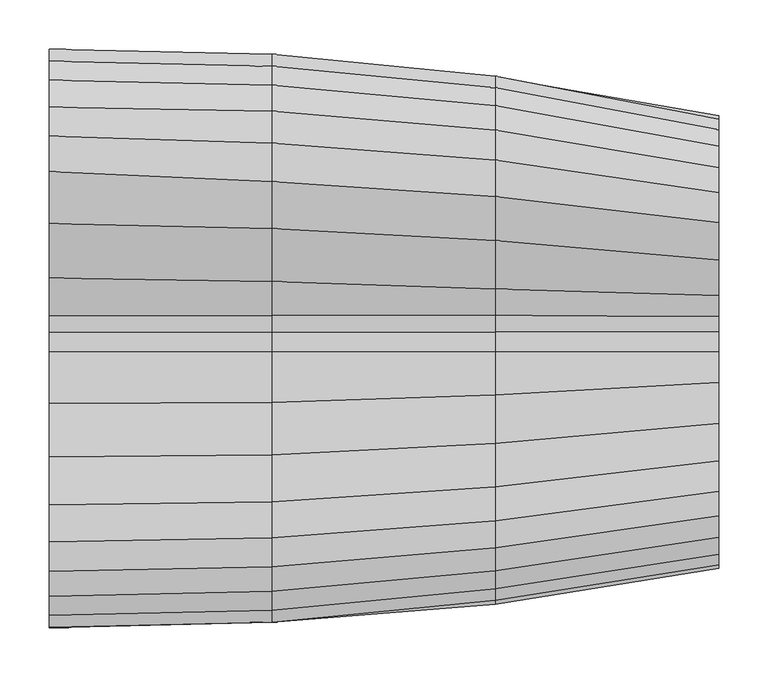
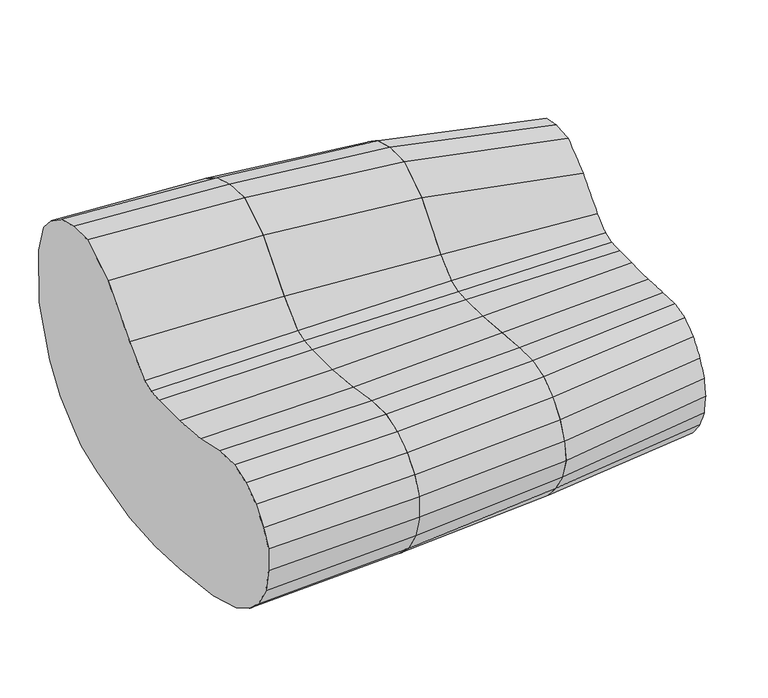
"""IFC4 building model written with IfcOpenShell, lengths in millimetres: furniture geometry."""

import ifcopenshell
import ifcopenshell.guid

model = None  # the IFC model being written
_history = None  # IfcOwnerHistory: only IFC2X3 demands one
_inside = {}  # id of a spatial element -> (the spatial element, [elements in it])
_under = {}  # id of a project, library or spatial element -> (it, [spatial elements below it])
_declared = {}  # id of a project -> (the project, [libraries it declares])
_typed = {}  # id of a type object -> (the type object, [elements of that type])
_made_of = {}  # id of a material, layer set ... -> (it, [elements and type objects made of it])


def new_model(schema):
    """Start an empty IFC model of exactly this schema.

    Asked for "IFC4X3", IfcOpenShell would pick the latest addendum, in which some entities
    have other attributes; the version numbers below select the first issue.
    IFC2X3 requires an IfcOwnerHistory on every rooted entity: one is made here for all.
    """
    global model, _history
    if schema == "IFC4X3":
        model = ifcopenshell.file(schema_version=(4, 3, 0, 0))
    else:
        model = ifcopenshell.file(schema=schema)
    _inside.clear()
    _under.clear()
    _declared.clear()
    _typed.clear()
    _made_of.clear()
    _history = None
    if model.schema == "IFC2X3":
        org = make("IfcOrganization", Name="unknown")
        user = make(
            "IfcPersonAndOrganization",
            ThePerson=make("IfcPerson", FamilyName="unknown"),
            TheOrganization=org,
        )
        app = make(
            "IfcApplication",
            ApplicationDeveloper=org,
            Version="unknown",
            ApplicationFullName="unknown",
            ApplicationIdentifier="unknown",
        )
        _history = make(
            "IfcOwnerHistory",
            OwningUser=user,
            OwningApplication=app,
            ChangeAction="ADDED",
            CreationDate=0,
        )
    return model


def make(cls, **values):
    """One entity of the class cls with the attributes given. An attribute that is None is left unset."""
    return model.create_entity(
        cls, **{name: value for name, value in values.items() if value is not None}
    )


def rooted(cls, **values):
    """An entity with a GlobalId (a new one), such as an element, a storey or a relation."""
    return make(cls, GlobalId=ifcopenshell.guid.new(), OwnerHistory=_history, **values)


def si_unit(unit_type, name, prefix=None):
    """IfcSIUnit, for example si_unit("LENGTHUNIT", "METRE", prefix="MILLI")."""
    return make("IfcSIUnit", UnitType=unit_type, Prefix=prefix, Name=name)


def assignment(units):
    """IfcUnitAssignment: the units of a project."""
    return None if units is None else make("IfcUnitAssignment", Units=units)


def point(xyz):
    """IfcCartesianPoint."""
    return None if xyz is None else make("IfcCartesianPoint", Coordinates=xyz)


def direction(xyz):
    """IfcDirection."""
    return None if xyz is None else make("IfcDirection", DirectionRatios=xyz)


def frame(location, z_axis=None, x_axis=None):
    """IfcAxis2Placement3D, a coordinate frame: its origin and axes. An axis left out is left unset."""
    return make(
        "IfcAxis2Placement3D",
        Location=point(location),
        Axis=direction(z_axis),
        RefDirection=direction(x_axis),
    )


def origin():
    """The frame at (0, 0, 0) with its axes left unset."""
    return frame((0.0, 0.0, 0.0))


def place(relative_to, where):
    """IfcLocalPlacement: puts the frame where relative to a parent placement (None: the world)."""
    return make(
        "IfcLocalPlacement", PlacementRelTo=relative_to, RelativePlacement=where
    )


def context(
    kind, dimensions, precision=None, world=None, true_north=None, identifier=None
):
    """IfcGeometricRepresentationContext, for example the 3D "Model" context."""
    return make(
        "IfcGeometricRepresentationContext",
        ContextIdentifier=identifier,
        ContextType=kind,
        CoordinateSpaceDimension=dimensions,
        Precision=precision,
        WorldCoordinateSystem=world,
        TrueNorth=true_north,
    )


def project(units=None, contexts=None):
    """IfcProject with its units and contexts."""
    return rooted(
        "IfcProject",
        Name="project",
        RepresentationContexts=contexts,
        UnitsInContext=assignment(units),
    )


def spatial(cls, under=None, at=None, **own):
    """A site, building, storey or space (cls), placed at a placement, below another one or the project."""
    s = rooted(cls, ObjectPlacement=at, **own)
    if under is not None:
        _under.setdefault(under.id(), (under, []))[1].append(s)
    return s


def shape(context_of_items, identifier, shape_type, items):
    """IfcShapeRepresentation: the items that make up one representation, for example the "Body"."""
    return make(
        "IfcShapeRepresentation",
        ContextOfItems=context_of_items,
        RepresentationIdentifier=identifier,
        RepresentationType=shape_type,
        Items=items,
    )


def source(mapping_origin, context_of_items, identifier, shape_type, items):
    """IfcRepresentationMap: a shape defined once, which mapped items show again and again."""
    return make(
        "IfcRepresentationMap",
        MappingOrigin=mapping_origin,
        MappedRepresentation=shape(context_of_items, identifier, shape_type, items),
    )


def transform(
    local_origin,
    x_axis=None,
    y_axis=None,
    z_axis=None,
    scale=None,
    scale2=None,
    scale3=None,
    uniform=True,
):
    """IfcCartesianTransformationOperator3D, or its non-uniform kind. x_axis, y_axis, z_axis: its Axis1, 2, 3."""
    if uniform:
        return make(
            "IfcCartesianTransformationOperator3D",
            Axis1=direction(x_axis),
            Axis2=direction(y_axis),
            LocalOrigin=point(local_origin),
            Scale=scale,
            Axis3=direction(z_axis),
        )
    return make(
        "IfcCartesianTransformationOperator3DnonUniform",
        Axis1=direction(x_axis),
        Axis2=direction(y_axis),
        LocalOrigin=point(local_origin),
        Scale=scale,
        Axis3=direction(z_axis),
        Scale2=scale2,
        Scale3=scale3,
    )


def mapped(mapping_source, mapping_target):
    """IfcMappedItem: shows the shape of a source again, moved by a transform."""
    return make(
        "IfcMappedItem", MappingSource=mapping_source, MappingTarget=mapping_target
    )


def made_of(thing, what):
    """Note that an element or type object is made of a material, layer set ...; save() writes the relation."""
    if what is not None:
        _made_of.setdefault(what.id(), (what, []))[1].append(thing)
    return thing


def element(
    cls,
    number,
    at=None,
    inside=None,
    cuts=None,
    type_object=None,
    material=None,
    context=None,
    identifier="Body",
    shape_type=None,
    held_by="IfcProductDefinitionShape",
    body=None,
    shapes=None,
    **own,
):
    """One element of the class cls, such as IfcWall. Its Tag is "e" and its number.

    at: its placement. inside: the storey or other place that contains it. cuts: it is an
    opening in that element (IfcRelVoidsElement). A single representation is given by context,
    identifier, shape_type and body (its items); several are given by shapes. held_by: the class
    of the entity that holds the representations. save() writes the other relations.
    """
    e = rooted(cls, Tag="e%d" % number, ObjectPlacement=at, **own)
    if body is not None:
        shapes = [shape(context, identifier, shape_type, body)]
    if shapes is not None:
        e.Representation = make(held_by, Representations=shapes)
    if inside is not None:
        _inside.setdefault(inside.id(), (inside, []))[1].append(e)
    if cuts is not None:
        rooted(
            "IfcRelVoidsElement", RelatingBuildingElement=cuts, RelatedOpeningElement=e
        )
    if type_object is not None:
        _typed.setdefault(type_object.id(), (type_object, []))[1].append(e)
    return made_of(e, material)


def aggregate(whole, parts):
    """IfcRelAggregates: a whole, such as a stair, and the parts it consists of."""
    return rooted("IfcRelAggregates", RelatingObject=whole, RelatedObjects=parts)


def save(model, path):
    """Write the relations noted so far, then the file.

    IfcRelAggregates (storeys below a building ...), IfcRelContainedInSpatialStructure (elements
    in a storey), IfcRelDefinesByType, IfcRelAssociatesMaterial and IfcRelDeclares: one each for
    every whole, place, type object, material and project.
    """
    for whole, parts in _under.values():
        aggregate(whole, parts)
    for where, things in _inside.values():
        rooted(
            "IfcRelContainedInSpatialStructure",
            RelatedElements=things,
            RelatingStructure=where,
        )
    for kind, things in _typed.values():
        rooted("IfcRelDefinesByType", RelatedObjects=things, RelatingType=kind)
    for what, things in _made_of.values():
        rooted("IfcRelAssociatesMaterial", RelatedObjects=things, RelatingMaterial=what)
    for by, libraries in _declared.values():
        rooted("IfcRelDeclares", RelatingContext=by, RelatedDefinitions=libraries)
    model.write(path)


def plane_surface(at):
    """IfcPlane: the flat surface through the origin of the frame at, square to its z axis."""
    return make("IfcPlane", Position=at)


def spline_surface(u_degree, v_degree, points, u_multiplicities, v_multiplicities, u_knots, v_knots, weights=None):
    """IfcBSplineSurfaceWithKnots; with weights, IfcRationalBSplineSurfaceWithKnots. points: one row for each step in u."""
    own = dict(
        UDegree=u_degree,
        VDegree=v_degree,
        ControlPointsList=[[point(p) for p in row] for row in points],
        SurfaceForm="UNSPECIFIED",
        UClosed=False,
        VClosed=False,
        SelfIntersect=False,
        UMultiplicities=u_multiplicities,
        VMultiplicities=v_multiplicities,
        UKnots=u_knots,
        VKnots=v_knots,
        KnotSpec="UNSPECIFIED",
    )
    if weights is None:
        return make("IfcBSplineSurfaceWithKnots", **own)
    return make("IfcRationalBSplineSurfaceWithKnots", WeightsData=weights, **own)


def advanced_brep(points, edges, surfaces, faces):
    """IfcAdvancedBrep: a solid bounded by faces that lie on surfaces and meet in shared edges.

    An edge is (start, end): straight between two places in points (the first is 0);
    or (start, end, curve); or (start, end, curve, False) where it runs against its curve.
    A face is (place in surfaces, loops), or (place, loops, False) where it looks against
    its surface's normal. A loop lists edges by number (the first is 1), with a minus sign
    where the edge is run from its end to its start. The first loop is the outer one.
    """
    corners = [point(p) for p in points]
    vertices = [make("IfcVertexPoint", VertexGeometry=c) for c in corners]
    made = []
    for start, end, *more in edges:
        made.append(
            make(
                "IfcEdgeCurve",
                EdgeStart=vertices[start],
                EdgeEnd=vertices[end],
                EdgeGeometry=more[0] if more else make("IfcPolyline", Points=[corners[start], corners[end]]),
                SameSense=more[1] if len(more) > 1 else True,
            )
        )
    hull = []
    for where, loops, *sense in faces:
        bounds = []
        for j, loop in enumerate(loops):
            ring = [make("IfcOrientedEdge", EdgeElement=made[abs(k) - 1], Orientation=k > 0) for k in loop]
            bounds.append(
                make(
                    "IfcFaceOuterBound" if j == 0 else "IfcFaceBound",
                    Bound=make("IfcEdgeLoop", EdgeList=ring),
                    Orientation=True,
                )
            )
        hull.append(make("IfcAdvancedFace", Bounds=bounds, FaceSurface=surfaces[where], SameSense=sense[0] if sense else True))
    return make("IfcAdvancedBrep", Outer=make("IfcClosedShell", CfsFaces=hull))


def furniture_8e6678c5(model_context):
    return source(origin(), model_context, "Body", "AdvancedBrep", [
        advanced_brep(
        [(0.0, -291.4984682, 377.8928495), (0.0, -279.3883244, 403.1470493), (0.0, -259.6553174, 427.8244311), (0.0, -234.0598775, 446.2991392), (0.0, -204.1727119, 456.7290985), (0.0, -166.5576387, 455.447527), (0.0, -117.6349799, 444.6696239), (0.0, -62.7866427, 440.1363976), (0.0, -10.5673544, 440.2413694), (0.0, 9.5128635, 442.3705636), (0.0, 26.2746271, 448.3519936), (0.0, 65.1051149, 486.6230587), (0.0, 120.752495, 548.3935979), (0.0, 173.8686932, 580.455231), (0.0, 209.9522465, 579.6965927), (0.0, 239.7702484, 572.5989882), (0.0, 267.0316476, 554.1242074), (0.0, 286.7647273, 531.5563989), (0.0, 299.0645943, 487.9511753), (0.0, 298.3267941, 407.1493486), (0.0, 271.0242455, 332.7671156), (0.0, 244.4104085, 293.0347843), (0.0, 211.1913424, 263.1198225), (0.0, 190.1743658, 247.5640859), (0.0, 149.3216178, 231.4803111), (0.0, 64.8151526, 210.3925721), (0.0, 0.0, 204.8741408), (0.0, -62.7151808, 207.1237309), (0.0, -148.8340749, 217.3380421), (0.0, -208.4022685, 234.7810907), (0.0, -242.2722578, 254.0834736), (0.0, -266.6243324, 276.4302019), (0.0, -285.0614337, 307.6544406), (0.0, -291.8548599, 343.4294735), (227.0762013, -286.1406738, 376.5365733), (227.0762013, -286.4123142, 344.1275414), (227.0762013, -277.0800714, 309.9383855), (227.0762013, -258.8860693, 279.3470841), (227.0762013, -234.9239599, 256.6180573), (227.0762013, -202.4368986, 238.168602), (227.0762013, -143.3406783, 221.1172627), (227.0762013, -61.7226815, 211.467343), (227.0762013, 0.0, 209.1015717), (227.0762013, 63.8228076, 214.7066075), (227.0762013, 146.2499121, 233.9398267), (227.0762013, 185.7656778, 253.1828018), (227.0762013, 206.2769621, 269.7019788), (227.0762013, 239.1077162, 301.6881623), (227.0762013, 265.855375, 344.1388779), (227.0762013, 292.6945071, 415.6151473), (227.0762013, 293.5171494, 484.0034875), (227.0762013, 281.4603454, 522.5189418), (227.0762013, 262.1171765, 543.7261139), (227.0762013, 235.4367012, 561.2269715), (227.0762013, 202.7432025, 570.7752623), (227.0762013, 163.4857877, 573.2295819), (227.0762013, 115.5397408, 543.0094062), (227.0762013, 61.7906324, 480.3082189), (227.0762013, 26.814547, 447.4483787), (227.0762013, 9.6670823, 441.7722353), (227.0762013, -10.5673544, 440.1194655), (227.0762013, -61.7906324, 439.9487274), (227.0762013, -115.5397408, 445.1344211), (227.0762013, -163.4857877, 452.8625104), (227.0762013, -200.3546492, 453.6485453), (227.0762013, -229.6511895, 444.1068312), (227.0762013, -254.7407736, 426.6060099), (227.0762013, -274.0839606, 403.4291905)],
        [
            (0, 1),
            (1, 2),
            (2, 3),
            (3, 4),
            (4, 5),
            (5, 6),
            (6, 7),
            (7, 8),
            (8, 9),
            (9, 10),
            (10, 11),
            (11, 12),
            (12, 13),
            (13, 14),
            (14, 15),
            (15, 16),
            (16, 17),
            (17, 18),
            (18, 19),
            (19, 20),
            (20, 21),
            (21, 22),
            (22, 23),
            (23, 24),
            (24, 25),
            (25, 26),
            (26, 27),
            (27, 28),
            (28, 29),
            (29, 30),
            (30, 31),
            (31, 32),
            (32, 33),
            (33, 0),
            (34, 35),
            (35, 36),
            (36, 37),
            (37, 38),
            (38, 39),
            (39, 40),
            (40, 41),
            (41, 42),
            (42, 43),
            (43, 44),
            (44, 45),
            (45, 46),
            (46, 47),
            (47, 48),
            (48, 49),
            (49, 50),
            (50, 51),
            (51, 52),
            (52, 53),
            (53, 54),
            (54, 55),
            (55, 56),
            (56, 57),
            (57, 58),
            (58, 59),
            (59, 60),
            (60, 61),
            (61, 62),
            (62, 63),
            (63, 64),
            (64, 65),
            (65, 66),
            (66, 67),
            (67, 34),
            (67, 1),
            (0, 34),
            (66, 2),
            (65, 3),
            (64, 4),
            (63, 5),
            (62, 6),
            (61, 7),
            (60, 8),
            (59, 9),
            (58, 10),
            (57, 11),
            (56, 12),
            (55, 13),
            (54, 14),
            (53, 15),
            (52, 16),
            (51, 17),
            (50, 18),
            (49, 19),
            (48, 20),
            (47, 21),
            (46, 22),
            (45, 23),
            (44, 24),
            (43, 25),
            (42, 26),
            (41, 27),
            (40, 28),
            (39, 29),
            (38, 30),
            (37, 31),
            (36, 32),
            (35, 33),
        ],
        [
            plane_surface(frame((0.0, -0.138957, 386.933292), z_axis=(-1.0, 0.0, 0.0), x_axis=(0.0, -0.9994200988731955, 0.03405093197391544))),
            plane_surface(frame((227.0762013, -0.2591798, 386.860886), z_axis=(1.0, 0.0, 0.0), x_axis=(0.0, -0.9994200988731955, 0.03405093197391544))),
            spline_surface(1, 1, [[(227.0762013, -286.1406738, 376.5365733), (0.0, -291.4984682, 377.8928495)], [(227.0762013, -274.0839606, 403.4291905), (0.0, -279.3883244, 403.1470493)]], [2, 2], [2, 2], [0.0, 1.0], [0.0, 1.0]),
            spline_surface(1, 1, [[(227.0762013, -274.0839606, 403.4291905), (0.0, -279.3883244, 403.1470493)], [(227.0762013, -254.7407736, 426.6060099), (0.0, -259.6553174, 427.8244311)]], [2, 2], [2, 2], [0.0, 1.0], [0.0, 1.0]),
            spline_surface(1, 1, [[(227.0762013, -254.7407736, 426.6060099), (0.0, -259.6553174, 427.8244311)], [(227.0762013, -229.6511895, 444.1068312), (0.0, -234.0598775, 446.2991392)]], [2, 2], [2, 2], [0.0, 1.0], [0.0, 1.0]),
            spline_surface(1, 1, [[(227.0762013, -229.6511895, 444.1068312), (0.0, -234.0598775, 446.2991392)], [(227.0762013, -200.3546492, 453.6485453), (0.0, -204.1727119, 456.7290985)]], [2, 2], [2, 2], [0.0, 1.0], [0.0, 1.0]),
            spline_surface(1, 1, [[(227.0762013, -200.3546492, 453.6485453), (0.0, -204.1727119, 456.7290985)], [(227.0762013, -163.4857877, 452.8625104), (0.0, -166.5576387, 455.447527)]], [2, 2], [2, 2], [0.0, 1.0], [0.0, 1.0]),
            spline_surface(1, 1, [[(227.0762013, -163.4857877, 452.8625104), (0.0, -166.5576387, 455.447527)], [(227.0762013, -115.5397408, 445.1344211), (0.0, -117.6349799, 444.6696239)]], [2, 2], [2, 2], [0.0, 1.0], [0.0, 1.0]),
            spline_surface(1, 1, [[(227.0762013, -115.5397408, 445.1344211), (0.0, -117.6349799, 444.6696239)], [(227.0762013, -61.7906324, 439.9487274), (0.0, -62.7866427, 440.1363976)]], [2, 2], [2, 2], [0.0, 1.0], [0.0, 1.0]),
            spline_surface(1, 1, [[(227.0762013, -61.7906324, 439.9487274), (0.0, -62.7866427, 440.1363976)], [(227.0762013, -10.5673544, 440.1194655), (0.0, -10.5673544, 440.2413694)]], [2, 2], [2, 2], [0.0, 1.0], [0.0, 1.0]),
            spline_surface(1, 1, [[(227.0762013, -10.5673544, 440.1194655), (0.0, -10.5673544, 440.2413694)], [(227.0762013, 9.6670823, 441.7722353), (0.0, 9.5128635, 442.3705636)]], [2, 2], [2, 2], [0.0, 1.0], [0.0, 1.0]),
            spline_surface(1, 1, [[(227.0762013, 9.6670823, 441.7722353), (0.0, 9.5128635, 442.3705636)], [(227.0762013, 26.814547, 447.4483787), (0.0, 26.2746271, 448.3519936)]], [2, 2], [2, 2], [0.0, 1.0], [0.0, 1.0]),
            spline_surface(1, 1, [[(227.0762013, 26.814547, 447.4483787), (0.0, 26.2746271, 448.3519936)], [(227.0762013, 61.7906324, 480.3082189), (0.0, 65.1051149, 486.6230587)]], [2, 2], [2, 2], [0.0, 1.0], [0.0, 1.0]),
            spline_surface(1, 1, [[(227.0762013, 61.7906324, 480.3082189), (0.0, 65.1051149, 486.6230587)], [(227.0762013, 115.5397408, 543.0094062), (0.0, 120.752495, 548.3935979)]], [2, 2], [2, 2], [0.0, 1.0], [0.0, 1.0]),
            spline_surface(1, 1, [[(227.0762013, 115.5397408, 543.0094062), (0.0, 120.752495, 548.3935979)], [(227.0762013, 163.4857877, 573.2295819), (0.0, 173.8686932, 580.455231)]], [2, 2], [2, 2], [0.0, 1.0], [0.0, 1.0]),
            spline_surface(1, 1, [[(227.0762013, 163.4857877, 573.2295819), (0.0, 173.8686932, 580.455231)], [(227.0762013, 202.7432025, 570.7752623), (0.0, 209.9522465, 579.6965927)]], [2, 2], [2, 2], [0.0, 1.0], [0.0, 1.0]),
            spline_surface(1, 1, [[(227.0762013, 202.7432025, 570.7752623), (0.0, 209.9522465, 579.6965927)], [(227.0762013, 235.4367012, 561.2269715), (0.0, 239.7702484, 572.5989882)]], [2, 2], [2, 2], [0.0, 1.0], [0.0, 1.0]),
            spline_surface(1, 1, [[(227.0762013, 235.4367012, 561.2269715), (0.0, 239.7702484, 572.5989882)], [(227.0762013, 262.1171765, 543.7261139), (0.0, 267.0316476, 554.1242074)]], [2, 2], [2, 2], [0.0, 1.0], [0.0, 1.0]),
            spline_surface(1, 1, [[(227.0762013, 262.1171765, 543.7261139), (0.0, 267.0316476, 554.1242074)], [(227.0762013, 281.4603454, 522.5189418), (0.0, 286.7647273, 531.5563989)]], [2, 2], [2, 2], [0.0, 1.0], [0.0, 1.0]),
            spline_surface(1, 1, [[(227.0762013, 281.4603454, 522.5189418), (0.0, 286.7647273, 531.5563989)], [(227.0762013, 293.5171494, 484.0034875), (0.0, 299.0645943, 487.9511753)]], [2, 2], [2, 2], [0.0, 1.0], [0.0, 1.0]),
            spline_surface(1, 1, [[(227.0762013, 293.5171494, 484.0034875), (0.0, 299.0645943, 487.9511753)], [(227.0762013, 292.6945071, 415.6151473), (0.0, 298.3267941, 407.1493486)]], [2, 2], [2, 2], [0.0, 1.0], [0.0, 1.0]),
            spline_surface(1, 1, [[(227.0762013, 292.6945071, 415.6151473), (0.0, 298.3267941, 407.1493486)], [(227.0762013, 265.855375, 344.1388779), (0.0, 271.0242455, 332.7671156)]], [2, 2], [2, 2], [0.0, 1.0], [0.0, 1.0]),
            spline_surface(1, 1, [[(227.0762013, 265.855375, 344.1388779), (0.0, 271.0242455, 332.7671156)], [(227.0762013, 239.1077162, 301.6881623), (0.0, 244.4104085, 293.0347843)]], [2, 2], [2, 2], [0.0, 1.0], [0.0, 1.0]),
            spline_surface(1, 1, [[(227.0762013, 239.1077162, 301.6881623), (0.0, 244.4104085, 293.0347843)], [(227.0762013, 206.2769621, 269.7019788), (0.0, 211.1913424, 263.1198225)]], [2, 2], [2, 2], [0.0, 1.0], [0.0, 1.0]),
            spline_surface(1, 1, [[(227.0762013, 206.2769621, 269.7019788), (0.0, 211.1913424, 263.1198225)], [(227.0762013, 185.7656778, 253.1828018), (0.0, 190.1743658, 247.5640859)]], [2, 2], [2, 2], [0.0, 1.0], [0.0, 1.0]),
            spline_surface(1, 1, [[(227.0762013, 185.7656778, 253.1828018), (0.0, 190.1743658, 247.5640859)], [(227.0762013, 146.2499121, 233.9398267), (0.0, 149.3216178, 231.4803111)]], [2, 2], [2, 2], [0.0, 1.0], [0.0, 1.0]),
            spline_surface(1, 1, [[(227.0762013, 146.2499121, 233.9398267), (0.0, 149.3216178, 231.4803111)], [(227.0762013, 63.8228076, 214.7066075), (0.0, 64.8151526, 210.3925721)]], [2, 2], [2, 2], [0.0, 1.0], [0.0, 1.0]),
            spline_surface(1, 1, [[(227.0762013, 63.8228076, 214.7066075), (0.0, 64.8151526, 210.3925721)], [(227.0762013, 0.0, 209.1015717), (0.0, 0.0, 204.8741408)]], [2, 2], [2, 2], [0.0, 1.0], [0.0, 1.0]),
            spline_surface(1, 1, [[(227.0762013, 0.0, 209.1015717), (0.0, 0.0, 204.8741408)], [(227.0762013, -61.7226815, 211.467343), (0.0, -62.7151808, 207.1237309)]], [2, 2], [2, 2], [0.0, 1.0], [0.0, 1.0]),
            spline_surface(1, 1, [[(227.0762013, -61.7226815, 211.467343), (0.0, -62.7151808, 207.1237309)], [(227.0762013, -143.3406783, 221.1172627), (0.0, -148.8340749, 217.3380421)]], [2, 2], [2, 2], [0.0, 1.0], [0.0, 1.0]),
            spline_surface(1, 1, [[(227.0762013, -143.3406783, 221.1172627), (0.0, -148.8340749, 217.3380421)], [(227.0762013, -202.4368986, 238.168602), (0.0, -208.4022685, 234.7810907)]], [2, 2], [2, 2], [0.0, 1.0], [0.0, 1.0]),
            spline_surface(1, 1, [[(227.0762013, -202.4368986, 238.168602), (0.0, -208.4022685, 234.7810907)], [(227.0762013, -234.9239599, 256.6180573), (0.0, -242.2722578, 254.0834736)]], [2, 2], [2, 2], [0.0, 1.0], [0.0, 1.0]),
            spline_surface(1, 1, [[(227.0762013, -234.9239599, 256.6180573), (0.0, -242.2722578, 254.0834736)], [(227.0762013, -258.8860693, 279.3470841), (0.0, -266.6243324, 276.4302019)]], [2, 2], [2, 2], [0.0, 1.0], [0.0, 1.0]),
            spline_surface(1, 1, [[(227.0762013, -258.8860693, 279.3470841), (0.0, -266.6243324, 276.4302019)], [(227.0762013, -277.0800714, 309.9383855), (0.0, -285.0614337, 307.6544406)]], [2, 2], [2, 2], [0.0, 1.0], [0.0, 1.0]),
            spline_surface(1, 1, [[(227.0762013, -277.0800714, 309.9383855), (0.0, -285.0614337, 307.6544406)], [(227.0762013, -286.4123142, 344.1275414), (0.0, -291.8548599, 343.4294735)]], [2, 2], [2, 2], [0.0, 1.0], [0.0, 1.0]),
            spline_surface(1, 1, [[(227.0762013, -286.4123142, 344.1275414), (0.0, -291.8548599, 343.4294735)], [(227.0762013, -286.1406738, 376.5365733), (0.0, -291.4984682, 377.8928495)]], [2, 2], [2, 2], [0.0, 1.0], [0.0, 1.0]),
        ],
        [
            (0, [[1, 2, 3, 4, 5, 6, 7, 8, 9, 10, 11, 12, 13, 14, 15, 16, 17, 18, 19, 20, 21, 22, 23, 24, 25, 26, 27, 28, 29, 30, 31, 32, 33, 34]]),
            (1, [[35, 36, 37, 38, 39, 40, 41, 42, 43, 44, 45, 46, 47, 48, 49, 50, 51, 52, 53, 54, 55, 56, 57, 58, 59, 60, 61, 62, 63, 64, 65, 66, 67, 68]]),
            (2, [[-68, 69, -1, 70]]),
            (3, [[-67, 71, -2, -69]]),
            (4, [[-66, 72, -3, -71]]),
            (5, [[-65, 73, -4, -72]]),
            (6, [[-64, 74, -5, -73]]),
            (7, [[-63, 75, -6, -74]]),
            (8, [[-62, 76, -7, -75]]),
            (9, [[-61, 77, -8, -76]]),
            (10, [[-60, 78, -9, -77]]),
            (11, [[-59, 79, -10, -78]]),
            (12, [[-58, 80, -11, -79]]),
            (13, [[-57, 81, -12, -80]]),
            (14, [[-56, 82, -13, -81]]),
            (15, [[-55, 83, -14, -82]]),
            (16, [[-54, 84, -15, -83]]),
            (17, [[-53, 85, -16, -84]]),
            (18, [[-52, 86, -17, -85]]),
            (19, [[-51, 87, -18, -86]]),
            (20, [[-50, 88, -19, -87]]),
            (21, [[-49, 89, -20, -88]]),
            (22, [[-48, 90, -21, -89]]),
            (23, [[-47, 91, -22, -90]]),
            (24, [[-46, 92, -23, -91]]),
            (25, [[-45, 93, -24, -92]]),
            (26, [[-44, 94, -25, -93]]),
            (27, [[-43, 95, -26, -94]]),
            (28, [[-42, 96, -27, -95]]),
            (29, [[-41, 97, -28, -96]]),
            (30, [[-40, 98, -29, -97]]),
            (31, [[-39, 99, -30, -98]]),
            (32, [[-38, 100, -31, -99]]),
            (33, [[-37, 101, -32, -100]]),
            (34, [[-36, 102, -33, -101]]),
            (35, [[-35, -70, -34, -102]]),
        ],
    ),
        advanced_brep(
        [(227.0762013, -274.0839606, 403.4291905), (227.0762013, -254.7407736, 426.6060099), (227.0762013, -229.6511895, 444.1068312), (227.0762013, -200.3546492, 453.6485453), (227.0762013, -163.4857877, 452.8625104), (227.0762013, -115.5397408, 445.1344211), (227.0762013, -61.7906324, 439.9487274), (227.0762013, -10.5673544, 440.1194655), (227.0762013, 9.6670823, 441.7722353), (227.0762013, 26.814547, 447.4483787), (227.0762013, 61.7906324, 480.3082189), (227.0762013, 115.5397408, 543.0094062), (227.0762013, 163.4857877, 573.2295819), (227.0762013, 202.7432025, 570.7752623), (227.0762013, 235.4367012, 561.2269715), (227.0762013, 262.1171765, 543.7261139), (227.0762013, 281.4603454, 522.5189418), (227.0762013, 293.5171494, 484.0034875), (227.0762013, 292.6945071, 415.6151473), (227.0762013, 265.855375, 344.1388779), (227.0762013, 239.1077162, 301.6881623), (227.0762013, 206.2769621, 269.7019788), (227.0762013, 185.7656778, 253.1828018), (227.0762013, 146.2499121, 233.9398267), (227.0762013, 63.8228076, 214.7066075), (227.0762013, 0.0, 209.1015717), (227.0762013, -61.7226815, 211.467343), (227.0762013, -143.3406783, 221.1172627), (227.0762013, -202.4368986, 238.168602), (227.0762013, -234.9239599, 256.6180573), (227.0762013, -258.8860693, 279.3470841), (227.0762013, -277.0800714, 309.9383855), (227.0762013, -286.4123142, 344.1275414), (227.0762013, -286.1406738, 376.5365733), (455.3641564, -252.3818514, 396.6326941), (455.3641564, -263.8245759, 370.2397556), (455.3641564, -267.8127409, 341.7347005), (455.3641564, -258.6924582, 310.2295014), (455.3641564, -241.1069219, 282.7724201), (455.3641564, -221.5852392, 259.6216893), (455.3641564, -188.6106349, 240.838915), (455.3641564, -130.3642992, 226.850234), (455.3641564, -54.2137512, 216.7521222), (455.3641564, 0.0, 216.4563553), (455.3641564, 56.3137229, 219.8462102), (455.3641564, 136.0662768, 237.9039197), (455.3641564, 178.9009624, 260.8751375), (455.3641564, 198.0847296, 277.7418587), (455.3641564, 230.2584562, 309.1056965), (455.3641564, 251.2636784, 352.0582346), (455.3641564, 270.1598542, 414.9827368), (455.3641564, 271.2010516, 475.7056292), (455.3641564, 259.7582362, 511.8388161), (455.3641564, 241.3933688, 533.3076001), (455.3641564, 216.1521588, 550.762276), (455.3641564, 185.3505142, 558.8997153), (455.3641564, 148.1147419, 558.8794767), (455.3641564, 103.6002897, 529.6568419), (455.3641564, 54.1793919, 469.6752923), (455.3641564, 27.129703, 445.344619), (455.3641564, 9.8287832, 439.2321651), (455.3641564, -10.5668968, 438.3366165), (455.3641564, -54.1793919, 438.9676826), (455.3641564, -103.6001444, 442.8838317), (455.3641564, -148.0542805, 446.6149993), (455.3641564, -182.6038977, 447.1245249), (455.3641564, -210.2477045, 439.1128046), (455.3641564, -234.0168205, 421.0006107)],
        [
            (0, 1),
            (1, 2),
            (2, 3),
            (3, 4),
            (4, 5),
            (5, 6),
            (6, 7),
            (7, 8),
            (8, 9),
            (9, 10),
            (10, 11),
            (11, 12),
            (12, 13),
            (13, 14),
            (14, 15),
            (15, 16),
            (16, 17),
            (17, 18),
            (18, 19),
            (19, 20),
            (20, 21),
            (21, 22),
            (22, 23),
            (23, 24),
            (24, 25),
            (25, 26),
            (26, 27),
            (27, 28),
            (28, 29),
            (29, 30),
            (30, 31),
            (31, 32),
            (32, 33),
            (33, 0),
            (34, 35),
            (35, 36),
            (36, 37),
            (37, 38),
            (38, 39),
            (39, 40),
            (40, 41),
            (41, 42),
            (42, 43),
            (43, 44),
            (44, 45),
            (45, 46),
            (46, 47),
            (47, 48),
            (48, 49),
            (49, 50),
            (50, 51),
            (51, 52),
            (52, 53),
            (53, 54),
            (54, 55),
            (55, 56),
            (56, 57),
            (57, 58),
            (58, 59),
            (59, 60),
            (60, 61),
            (61, 62),
            (62, 63),
            (63, 64),
            (64, 65),
            (65, 66),
            (66, 67),
            (67, 34),
            (67, 1),
            (0, 34),
            (66, 2),
            (65, 3),
            (64, 4),
            (63, 5),
            (62, 6),
            (61, 7),
            (60, 8),
            (59, 9),
            (58, 10),
            (57, 11),
            (56, 12),
            (55, 13),
            (54, 14),
            (53, 15),
            (52, 16),
            (51, 17),
            (50, 18),
            (49, 19),
            (48, 20),
            (47, 21),
            (46, 22),
            (45, 23),
            (44, 24),
            (43, 25),
            (42, 26),
            (41, 27),
            (40, 28),
            (39, 29),
            (38, 30),
            (37, 31),
            (36, 32),
            (35, 33),
        ],
        [
            plane_surface(frame((227.0762013, -0.2591798, 386.860886), z_axis=(-1.0000000000000002, 0.0, 0.0), x_axis=(0.0, -0.9508398438087042, -0.30968304994920065))),
            plane_surface(frame((455.3641564, 0.4674797, 384.7642848), z_axis=(1.0000000000000002, 0.0, 0.0), x_axis=(0.0, -0.9508398438087042, -0.30968304994920065))),
            spline_surface(1, 1, [[(455.3641564, -252.3818514, 396.6326941), (227.0762013, -274.0839606, 403.4291905)], [(455.3641564, -234.0168205, 421.0006107), (227.0762013, -254.7407736, 426.6060099)]], [2, 2], [2, 2], [0.0, 1.0], [0.0, 1.0]),
            spline_surface(1, 1, [[(455.3641564, -234.0168205, 421.0006107), (227.0762013, -254.7407736, 426.6060099)], [(455.3641564, -210.2477045, 439.1128046), (227.0762013, -229.6511895, 444.1068312)]], [2, 2], [2, 2], [0.0, 1.0], [0.0, 1.0]),
            spline_surface(1, 1, [[(455.3641564, -210.2477045, 439.1128046), (227.0762013, -229.6511895, 444.1068312)], [(455.3641564, -182.6038977, 447.1245249), (227.0762013, -200.3546492, 453.6485453)]], [2, 2], [2, 2], [0.0, 1.0], [0.0, 1.0]),
            spline_surface(1, 1, [[(455.3641564, -182.6038977, 447.1245249), (227.0762013, -200.3546492, 453.6485453)], [(455.3641564, -148.0542805, 446.6149993), (227.0762013, -163.4857877, 452.8625104)]], [2, 2], [2, 2], [0.0, 1.0], [0.0, 1.0]),
            spline_surface(1, 1, [[(455.3641564, -148.0542805, 446.6149993), (227.0762013, -163.4857877, 452.8625104)], [(455.3641564, -103.6001444, 442.8838317), (227.0762013, -115.5397408, 445.1344211)]], [2, 2], [2, 2], [0.0, 1.0], [0.0, 1.0]),
            spline_surface(1, 1, [[(455.3641564, -103.6001444, 442.8838317), (227.0762013, -115.5397408, 445.1344211)], [(455.3641564, -54.1793919, 438.9676826), (227.0762013, -61.7906324, 439.9487274)]], [2, 2], [2, 2], [0.0, 1.0], [0.0, 1.0]),
            spline_surface(1, 1, [[(455.3641564, -54.1793919, 438.9676826), (227.0762013, -61.7906324, 439.9487274)], [(455.3641564, -10.5668968, 438.3366165), (227.0762013, -10.5673544, 440.1194655)]], [2, 2], [2, 2], [0.0, 1.0], [0.0, 1.0]),
            spline_surface(1, 1, [[(455.3641564, -10.5668968, 438.3366165), (227.0762013, -10.5673544, 440.1194655)], [(455.3641564, 9.8287832, 439.2321651), (227.0762013, 9.6670823, 441.7722353)]], [2, 2], [2, 2], [0.0, 1.0], [0.0, 1.0]),
            spline_surface(1, 1, [[(455.3641564, 9.8287832, 439.2321651), (227.0762013, 9.6670823, 441.7722353)], [(455.3641564, 27.129703, 445.344619), (227.0762013, 26.814547, 447.4483787)]], [2, 2], [2, 2], [0.0, 1.0], [0.0, 1.0]),
            spline_surface(1, 1, [[(455.3641564, 27.129703, 445.344619), (227.0762013, 26.814547, 447.4483787)], [(455.3641564, 54.1793919, 469.6752923), (227.0762013, 61.7906324, 480.3082189)]], [2, 2], [2, 2], [0.0, 1.0], [0.0, 1.0]),
            spline_surface(1, 1, [[(455.3641564, 54.1793919, 469.6752923), (227.0762013, 61.7906324, 480.3082189)], [(455.3641564, 103.6002897, 529.6568419), (227.0762013, 115.5397408, 543.0094062)]], [2, 2], [2, 2], [0.0, 1.0], [0.0, 1.0]),
            spline_surface(1, 1, [[(455.3641564, 103.6002897, 529.6568419), (227.0762013, 115.5397408, 543.0094062)], [(455.3641564, 148.1147419, 558.8794767), (227.0762013, 163.4857877, 573.2295819)]], [2, 2], [2, 2], [0.0, 1.0], [0.0, 1.0]),
            spline_surface(1, 1, [[(455.3641564, 148.1147419, 558.8794767), (227.0762013, 163.4857877, 573.2295819)], [(455.3641564, 185.3505142, 558.8997153), (227.0762013, 202.7432025, 570.7752623)]], [2, 2], [2, 2], [0.0, 1.0], [0.0, 1.0]),
            spline_surface(1, 1, [[(455.3641564, 185.3505142, 558.8997153), (227.0762013, 202.7432025, 570.7752623)], [(455.3641564, 216.1521588, 550.762276), (227.0762013, 235.4367012, 561.2269715)]], [2, 2], [2, 2], [0.0, 1.0], [0.0, 1.0]),
            spline_surface(1, 1, [[(455.3641564, 216.1521588, 550.762276), (227.0762013, 235.4367012, 561.2269715)], [(455.3641564, 241.3933688, 533.3076001), (227.0762013, 262.1171765, 543.7261139)]], [2, 2], [2, 2], [0.0, 1.0], [0.0, 1.0]),
            spline_surface(1, 1, [[(455.3641564, 241.3933688, 533.3076001), (227.0762013, 262.1171765, 543.7261139)], [(455.3641564, 259.7582362, 511.8388161), (227.0762013, 281.4603454, 522.5189418)]], [2, 2], [2, 2], [0.0, 1.0], [0.0, 1.0]),
            spline_surface(1, 1, [[(455.3641564, 259.7582362, 511.8388161), (227.0762013, 281.4603454, 522.5189418)], [(455.3641564, 271.2010516, 475.7056292), (227.0762013, 293.5171494, 484.0034875)]], [2, 2], [2, 2], [0.0, 1.0], [0.0, 1.0]),
            spline_surface(1, 1, [[(455.3641564, 271.2010516, 475.7056292), (227.0762013, 293.5171494, 484.0034875)], [(455.3641564, 270.1598542, 414.9827368), (227.0762013, 292.6945071, 415.6151473)]], [2, 2], [2, 2], [0.0, 1.0], [0.0, 1.0]),
            spline_surface(1, 1, [[(455.3641564, 270.1598542, 414.9827368), (227.0762013, 292.6945071, 415.6151473)], [(455.3641564, 251.2636784, 352.0582346), (227.0762013, 265.855375, 344.1388779)]], [2, 2], [2, 2], [0.0, 1.0], [0.0, 1.0]),
            spline_surface(1, 1, [[(455.3641564, 251.2636784, 352.0582346), (227.0762013, 265.855375, 344.1388779)], [(455.3641564, 230.2584562, 309.1056965), (227.0762013, 239.1077162, 301.6881623)]], [2, 2], [2, 2], [0.0, 1.0], [0.0, 1.0]),
            spline_surface(1, 1, [[(455.3641564, 230.2584562, 309.1056965), (227.0762013, 239.1077162, 301.6881623)], [(455.3641564, 198.0847296, 277.7418587), (227.0762013, 206.2769621, 269.7019788)]], [2, 2], [2, 2], [0.0, 1.0], [0.0, 1.0]),
            spline_surface(1, 1, [[(455.3641564, 198.0847296, 277.7418587), (227.0762013, 206.2769621, 269.7019788)], [(455.3641564, 178.9009624, 260.8751375), (227.0762013, 185.7656778, 253.1828018)]], [2, 2], [2, 2], [0.0, 1.0], [0.0, 1.0]),
            spline_surface(1, 1, [[(455.3641564, 178.9009624, 260.8751375), (227.0762013, 185.7656778, 253.1828018)], [(455.3641564, 136.0662768, 237.9039197), (227.0762013, 146.2499121, 233.9398267)]], [2, 2], [2, 2], [0.0, 1.0], [0.0, 1.0]),
            spline_surface(1, 1, [[(455.3641564, 136.0662768, 237.9039197), (227.0762013, 146.2499121, 233.9398267)], [(455.3641564, 56.3137229, 219.8462102), (227.0762013, 63.8228076, 214.7066075)]], [2, 2], [2, 2], [0.0, 1.0], [0.0, 1.0]),
            spline_surface(1, 1, [[(455.3641564, 56.3137229, 219.8462102), (227.0762013, 63.8228076, 214.7066075)], [(455.3641564, 0.0, 216.4563553), (227.0762013, 0.0, 209.1015717)]], [2, 2], [2, 2], [0.0, 1.0], [0.0, 1.0]),
            spline_surface(1, 1, [[(455.3641564, 0.0, 216.4563553), (227.0762013, 0.0, 209.1015717)], [(455.3641564, -54.2137512, 216.7521222), (227.0762013, -61.7226815, 211.467343)]], [2, 2], [2, 2], [0.0, 1.0], [0.0, 1.0]),
            spline_surface(1, 1, [[(455.3641564, -54.2137512, 216.7521222), (227.0762013, -61.7226815, 211.467343)], [(455.3641564, -130.3642992, 226.850234), (227.0762013, -143.3406783, 221.1172627)]], [2, 2], [2, 2], [0.0, 1.0], [0.0, 1.0]),
            spline_surface(1, 1, [[(455.3641564, -130.3642992, 226.850234), (227.0762013, -143.3406783, 221.1172627)], [(455.3641564, -188.6106349, 240.838915), (227.0762013, -202.4368986, 238.168602)]], [2, 2], [2, 2], [0.0, 1.0], [0.0, 1.0]),
            spline_surface(1, 1, [[(455.3641564, -188.6106349, 240.838915), (227.0762013, -202.4368986, 238.168602)], [(455.3641564, -221.5852392, 259.6216893), (227.0762013, -234.9239599, 256.6180573)]], [2, 2], [2, 2], [0.0, 1.0], [0.0, 1.0]),
            spline_surface(1, 1, [[(455.3641564, -221.5852392, 259.6216893), (227.0762013, -234.9239599, 256.6180573)], [(455.3641564, -241.1069219, 282.7724201), (227.0762013, -258.8860693, 279.3470841)]], [2, 2], [2, 2], [0.0, 1.0], [0.0, 1.0]),
            spline_surface(1, 1, [[(455.3641564, -241.1069219, 282.7724201), (227.0762013, -258.8860693, 279.3470841)], [(455.3641564, -258.6924582, 310.2295014), (227.0762013, -277.0800714, 309.9383855)]], [2, 2], [2, 2], [0.0, 1.0], [0.0, 1.0]),
            spline_surface(1, 1, [[(455.3641564, -258.6924582, 310.2295014), (227.0762013, -277.0800714, 309.9383855)], [(455.3641564, -267.8127409, 341.7347005), (227.0762013, -286.4123142, 344.1275414)]], [2, 2], [2, 2], [0.0, 1.0], [0.0, 1.0]),
            spline_surface(1, 1, [[(455.3641564, -267.8127409, 341.7347005), (227.0762013, -286.4123142, 344.1275414)], [(455.3641564, -263.8245759, 370.2397556), (227.0762013, -286.1406738, 376.5365733)]], [2, 2], [2, 2], [0.0, 1.0], [0.0, 1.0]),
            spline_surface(1, 1, [[(455.3641564, -263.8245759, 370.2397556), (227.0762013, -286.1406738, 376.5365733)], [(455.3641564, -252.3818514, 396.6326941), (227.0762013, -274.0839606, 403.4291905)]], [2, 2], [2, 2], [0.0, 1.0], [0.0, 1.0]),
        ],
        [
            (0, [[1, 2, 3, 4, 5, 6, 7, 8, 9, 10, 11, 12, 13, 14, 15, 16, 17, 18, 19, 20, 21, 22, 23, 24, 25, 26, 27, 28, 29, 30, 31, 32, 33, 34]]),
            (1, [[35, 36, 37, 38, 39, 40, 41, 42, 43, 44, 45, 46, 47, 48, 49, 50, 51, 52, 53, 54, 55, 56, 57, 58, 59, 60, 61, 62, 63, 64, 65, 66, 67, 68]]),
            (2, [[-68, 69, -1, 70]]),
            (3, [[-67, 71, -2, -69]]),
            (4, [[-66, 72, -3, -71]]),
            (5, [[-65, 73, -4, -72]]),
            (6, [[-64, 74, -5, -73]]),
            (7, [[-63, 75, -6, -74]]),
            (8, [[-62, 76, -7, -75]]),
            (9, [[-61, 77, -8, -76]]),
            (10, [[-60, 78, -9, -77]]),
            (11, [[-59, 79, -10, -78]]),
            (12, [[-58, 80, -11, -79]]),
            (13, [[-57, 81, -12, -80]]),
            (14, [[-56, 82, -13, -81]]),
            (15, [[-55, 83, -14, -82]]),
            (16, [[-54, 84, -15, -83]]),
            (17, [[-53, 85, -16, -84]]),
            (18, [[-52, 86, -17, -85]]),
            (19, [[-51, 87, -18, -86]]),
            (20, [[-50, 88, -19, -87]]),
            (21, [[-49, 89, -20, -88]]),
            (22, [[-48, 90, -21, -89]]),
            (23, [[-47, 91, -22, -90]]),
            (24, [[-46, 92, -23, -91]]),
            (25, [[-45, 93, -24, -92]]),
            (26, [[-44, 94, -25, -93]]),
            (27, [[-43, 95, -26, -94]]),
            (28, [[-42, 96, -27, -95]]),
            (29, [[-41, 97, -28, -96]]),
            (30, [[-40, 98, -29, -97]]),
            (31, [[-39, 99, -30, -98]]),
            (32, [[-38, 100, -31, -99]]),
            (33, [[-37, 101, -32, -100]]),
            (34, [[-36, 102, -33, -101]]),
            (35, [[-35, -70, -34, -102]]),
        ],
    ),
        advanced_brep(
        [(455.3641564, -263.8245759, 370.2397556), (455.3641564, -252.3818514, 396.6326941), (455.3641564, -234.0168205, 421.0006107), (455.3641564, -210.2477045, 439.1128046), (455.3641564, -182.6038977, 447.1245249), (455.3641564, -148.0542805, 446.6149993), (455.3641564, -103.6001444, 442.8838317), (455.3641564, -54.1793919, 438.9676826), (455.3641564, -10.5668968, 438.3366165), (455.3641564, 9.8287832, 439.2321651), (455.3641564, 27.129703, 445.344619), (455.3641564, 54.1793919, 469.6752923), (455.3641564, 103.6002897, 529.6568419), (455.3641564, 148.1147419, 558.8794767), (455.3641564, 185.3505142, 558.8997153), (455.3641564, 216.1521588, 550.762276), (455.3641564, 241.3933688, 533.3076001), (455.3641564, 259.7582362, 511.8388161), (455.3641564, 271.2010516, 475.7056292), (455.3641564, 270.1598542, 414.9827368), (455.3641564, 251.2636784, 352.0582346), (455.3641564, 230.2584562, 309.1056965), (455.3641564, 198.0847296, 277.7418587), (455.3641564, 178.9009624, 260.8751375), (455.3641564, 136.0662768, 237.9039197), (455.3641564, 56.3137229, 219.8462102), (455.3641564, 0.0, 216.4563553), (455.3641564, -54.2137512, 216.7521222), (455.3641564, -130.3642992, 226.850234), (455.3641564, -188.6106349, 240.838915), (455.3641564, -221.5852392, 259.6216893), (455.3641564, -241.1069219, 282.7724201), (455.3641564, -258.6924582, 310.2295014), (455.3641564, -267.8127409, 341.7347005), (683.6527292, -227.4947259, 367.427609), (683.6527292, -231.2008769, 341.0958587), (683.6527292, -227.4689281, 313.2198712), (683.6527292, -216.8093498, 287.2412607), (683.6527292, -198.7377784, 264.1808042), (683.6527292, -169.4444356, 248.7341998), (683.6527292, -116.3975646, 235.0542754), (683.6527292, -44.0139241, 226.7510395), (683.6527292, 0.0, 226.577558), (683.6527292, 44.1240146, 232.0407057), (683.6527292, 114.932029, 247.9028734), (683.6527292, 155.1426923, 272.4848758), (683.6527292, 177.7269061, 289.4243578), (683.6527292, 203.1050809, 319.6454601), (683.6527292, 223.9890714, 359.0169668), (683.6527292, 231.2008769, 411.6522715), (683.6527292, 227.4947259, 458.7724694), (683.6527292, 216.8380544, 490.8662953), (683.6527292, 199.7310499, 512.9957585), (683.6527292, 177.7669109, 529.316274), (683.6527292, 152.5168533, 534.1466114), (683.6527292, 121.8045383, 531.6729615), (683.6527292, 83.4446432, 500.5646496), (683.6527292, 47.1601437, 459.0756486), (683.6527292, 26.0260436, 441.5130578), (683.6527292, 9.9732296, 436.2193766), (683.6527292, -10.5670489, 435.600628), (683.6527292, -41.4584705, 435.1932764), (683.6527292, -83.4446432, 435.3574379), (683.6527292, -121.8045383, 437.3336254), (683.6527292, -152.5168533, 438.6781291), (683.6527292, -177.7669109, 432.0204323), (683.6527292, -199.7310499, 415.2632066), (683.6527292, -216.8380544, 392.1477571)],
        [
            (0, 1),
            (1, 2),
            (2, 3),
            (3, 4),
            (4, 5),
            (5, 6),
            (6, 7),
            (7, 8),
            (8, 9),
            (9, 10),
            (10, 11),
            (11, 12),
            (12, 13),
            (13, 14),
            (14, 15),
            (15, 16),
            (16, 17),
            (17, 18),
            (18, 19),
            (19, 20),
            (20, 21),
            (21, 22),
            (22, 23),
            (23, 24),
            (24, 25),
            (25, 26),
            (26, 27),
            (27, 28),
            (28, 29),
            (29, 30),
            (30, 31),
            (31, 32),
            (32, 33),
            (33, 0),
            (34, 35),
            (35, 36),
            (36, 37),
            (37, 38),
            (38, 39),
            (39, 40),
            (40, 41),
            (41, 42),
            (42, 43),
            (43, 44),
            (44, 45),
            (45, 46),
            (46, 47),
            (47, 48),
            (48, 49),
            (49, 50),
            (50, 51),
            (51, 52),
            (52, 53),
            (53, 54),
            (54, 55),
            (55, 56),
            (56, 57),
            (57, 58),
            (58, 59),
            (59, 60),
            (60, 61),
            (61, 62),
            (62, 63),
            (63, 64),
            (64, 65),
            (65, 66),
            (66, 67),
            (67, 34),
            (67, 1),
            (0, 34),
            (66, 2),
            (65, 3),
            (64, 4),
            (63, 5),
            (62, 6),
            (61, 7),
            (60, 8),
            (59, 9),
            (58, 10),
            (57, 11),
            (56, 12),
            (55, 13),
            (54, 14),
            (53, 15),
            (52, 16),
            (51, 17),
            (50, 18),
            (49, 19),
            (48, 20),
            (47, 21),
            (46, 22),
            (45, 23),
            (44, 24),
            (43, 25),
            (42, 26),
            (41, 27),
            (40, 28),
            (39, 29),
            (38, 30),
            (37, 31),
            (36, 32),
            (35, 33),
        ],
        [
            plane_surface(frame((455.3641564, 0.4674797, 384.7642848), z_axis=(-1.0, 0.0, 0.0), x_axis=(0.0, -0.9999998522900697, -0.0005435253800292634))),
            plane_surface(frame((683.6527292, -0.668185, 381.152576), z_axis=(1.0, 0.0, 0.0), x_axis=(0.0, -0.9999998522900697, -0.0005435253800292634))),
            spline_surface(1, 1, [[(683.6527292, -227.4947259, 367.427609), (455.3641564, -263.8245759, 370.2397556)], [(683.6527292, -216.8380544, 392.1477571), (455.3641564, -252.3818514, 396.6326941)]], [2, 2], [2, 2], [0.0, 1.0], [0.0, 1.0]),
            spline_surface(1, 1, [[(683.6527292, -216.8380544, 392.1477571), (455.3641564, -252.3818514, 396.6326941)], [(683.6527292, -199.7310499, 415.2632066), (455.3641564, -234.0168205, 421.0006107)]], [2, 2], [2, 2], [0.0, 1.0], [0.0, 1.0]),
            spline_surface(1, 1, [[(683.6527292, -199.7310499, 415.2632066), (455.3641564, -234.0168205, 421.0006107)], [(683.6527292, -177.7669109, 432.0204323), (455.3641564, -210.2477045, 439.1128046)]], [2, 2], [2, 2], [0.0, 1.0], [0.0, 1.0]),
            spline_surface(1, 1, [[(683.6527292, -177.7669109, 432.0204323), (455.3641564, -210.2477045, 439.1128046)], [(683.6527292, -152.5168533, 438.6781291), (455.3641564, -182.6038977, 447.1245249)]], [2, 2], [2, 2], [0.0, 1.0], [0.0, 1.0]),
            spline_surface(1, 1, [[(683.6527292, -152.5168533, 438.6781291), (455.3641564, -182.6038977, 447.1245249)], [(683.6527292, -121.8045383, 437.3336254), (455.3641564, -148.0542805, 446.6149993)]], [2, 2], [2, 2], [0.0, 1.0], [0.0, 1.0]),
            spline_surface(1, 1, [[(683.6527292, -121.8045383, 437.3336254), (455.3641564, -148.0542805, 446.6149993)], [(683.6527292, -83.4446432, 435.3574379), (455.3641564, -103.6001444, 442.8838317)]], [2, 2], [2, 2], [0.0, 1.0], [0.0, 1.0]),
            spline_surface(1, 1, [[(683.6527292, -83.4446432, 435.3574379), (455.3641564, -103.6001444, 442.8838317)], [(683.6527292, -41.4584705, 435.1932764), (455.3641564, -54.1793919, 438.9676826)]], [2, 2], [2, 2], [0.0, 1.0], [0.0, 1.0]),
            spline_surface(1, 1, [[(683.6527292, -41.4584705, 435.1932764), (455.3641564, -54.1793919, 438.9676826)], [(683.6527292, -10.5670489, 435.600628), (455.3641564, -10.5668968, 438.3366165)]], [2, 2], [2, 2], [0.0, 1.0], [0.0, 1.0]),
            spline_surface(1, 1, [[(683.6527292, -10.5670489, 435.600628), (455.3641564, -10.5668968, 438.3366165)], [(683.6527292, 9.9732296, 436.2193766), (455.3641564, 9.8287832, 439.2321651)]], [2, 2], [2, 2], [0.0, 1.0], [0.0, 1.0]),
            spline_surface(1, 1, [[(683.6527292, 9.9732296, 436.2193766), (455.3641564, 9.8287832, 439.2321651)], [(683.6527292, 26.0260436, 441.5130578), (455.3641564, 27.129703, 445.344619)]], [2, 2], [2, 2], [0.0, 1.0], [0.0, 1.0]),
            spline_surface(1, 1, [[(683.6527292, 26.0260436, 441.5130578), (455.3641564, 27.129703, 445.344619)], [(683.6527292, 47.1601437, 459.0756486), (455.3641564, 54.1793919, 469.6752923)]], [2, 2], [2, 2], [0.0, 1.0], [0.0, 1.0]),
            spline_surface(1, 1, [[(683.6527292, 47.1601437, 459.0756486), (455.3641564, 54.1793919, 469.6752923)], [(683.6527292, 83.4446432, 500.5646496), (455.3641564, 103.6002897, 529.6568419)]], [2, 2], [2, 2], [0.0, 1.0], [0.0, 1.0]),
            spline_surface(1, 1, [[(683.6527292, 83.4446432, 500.5646496), (455.3641564, 103.6002897, 529.6568419)], [(683.6527292, 121.8045383, 531.6729615), (455.3641564, 148.1147419, 558.8794767)]], [2, 2], [2, 2], [0.0, 1.0], [0.0, 1.0]),
            spline_surface(1, 1, [[(683.6527292, 121.8045383, 531.6729615), (455.3641564, 148.1147419, 558.8794767)], [(683.6527292, 152.5168533, 534.1466114), (455.3641564, 185.3505142, 558.8997153)]], [2, 2], [2, 2], [0.0, 1.0], [0.0, 1.0]),
            spline_surface(1, 1, [[(683.6527292, 152.5168533, 534.1466114), (455.3641564, 185.3505142, 558.8997153)], [(683.6527292, 177.7669109, 529.316274), (455.3641564, 216.1521588, 550.762276)]], [2, 2], [2, 2], [0.0, 1.0], [0.0, 1.0]),
            spline_surface(1, 1, [[(683.6527292, 177.7669109, 529.316274), (455.3641564, 216.1521588, 550.762276)], [(683.6527292, 199.7310499, 512.9957585), (455.3641564, 241.3933688, 533.3076001)]], [2, 2], [2, 2], [0.0, 1.0], [0.0, 1.0]),
            spline_surface(1, 1, [[(683.6527292, 199.7310499, 512.9957585), (455.3641564, 241.3933688, 533.3076001)], [(683.6527292, 216.8380544, 490.8662953), (455.3641564, 259.7582362, 511.8388161)]], [2, 2], [2, 2], [0.0, 1.0], [0.0, 1.0]),
            spline_surface(1, 1, [[(683.6527292, 216.8380544, 490.8662953), (455.3641564, 259.7582362, 511.8388161)], [(683.6527292, 227.4947259, 458.7724694), (455.3641564, 271.2010516, 475.7056292)]], [2, 2], [2, 2], [0.0, 1.0], [0.0, 1.0]),
            spline_surface(1, 1, [[(683.6527292, 227.4947259, 458.7724694), (455.3641564, 271.2010516, 475.7056292)], [(683.6527292, 231.2008769, 411.6522715), (455.3641564, 270.1598542, 414.9827368)]], [2, 2], [2, 2], [0.0, 1.0], [0.0, 1.0]),
            spline_surface(1, 1, [[(683.6527292, 231.2008769, 411.6522715), (455.3641564, 270.1598542, 414.9827368)], [(683.6527292, 223.9890714, 359.0169668), (455.3641564, 251.2636784, 352.0582346)]], [2, 2], [2, 2], [0.0, 1.0], [0.0, 1.0]),
            spline_surface(1, 1, [[(683.6527292, 223.9890714, 359.0169668), (455.3641564, 251.2636784, 352.0582346)], [(683.6527292, 203.1050809, 319.6454601), (455.3641564, 230.2584562, 309.1056965)]], [2, 2], [2, 2], [0.0, 1.0], [0.0, 1.0]),
            spline_surface(1, 1, [[(683.6527292, 203.1050809, 319.6454601), (455.3641564, 230.2584562, 309.1056965)], [(683.6527292, 177.7269061, 289.4243578), (455.3641564, 198.0847296, 277.7418587)]], [2, 2], [2, 2], [0.0, 1.0], [0.0, 1.0]),
            spline_surface(1, 1, [[(683.6527292, 177.7269061, 289.4243578), (455.3641564, 198.0847296, 277.7418587)], [(683.6527292, 155.1426923, 272.4848758), (455.3641564, 178.9009624, 260.8751375)]], [2, 2], [2, 2], [0.0, 1.0], [0.0, 1.0]),
            spline_surface(1, 1, [[(683.6527292, 155.1426923, 272.4848758), (455.3641564, 178.9009624, 260.8751375)], [(683.6527292, 114.932029, 247.9028734), (455.3641564, 136.0662768, 237.9039197)]], [2, 2], [2, 2], [0.0, 1.0], [0.0, 1.0]),
            spline_surface(1, 1, [[(683.6527292, 114.932029, 247.9028734), (455.3641564, 136.0662768, 237.9039197)], [(683.6527292, 44.1240146, 232.0407057), (455.3641564, 56.3137229, 219.8462102)]], [2, 2], [2, 2], [0.0, 1.0], [0.0, 1.0]),
            spline_surface(1, 1, [[(683.6527292, 44.1240146, 232.0407057), (455.3641564, 56.3137229, 219.8462102)], [(683.6527292, 0.0, 226.577558), (455.3641564, 0.0, 216.4563553)]], [2, 2], [2, 2], [0.0, 1.0], [0.0, 1.0]),
            spline_surface(1, 1, [[(683.6527292, 0.0, 226.577558), (455.3641564, 0.0, 216.4563553)], [(683.6527292, -44.0139241, 226.7510395), (455.3641564, -54.2137512, 216.7521222)]], [2, 2], [2, 2], [0.0, 1.0], [0.0, 1.0]),
            spline_surface(1, 1, [[(683.6527292, -44.0139241, 226.7510395), (455.3641564, -54.2137512, 216.7521222)], [(683.6527292, -116.3975646, 235.0542754), (455.3641564, -130.3642992, 226.850234)]], [2, 2], [2, 2], [0.0, 1.0], [0.0, 1.0]),
            spline_surface(1, 1, [[(683.6527292, -116.3975646, 235.0542754), (455.3641564, -130.3642992, 226.850234)], [(683.6527292, -169.4444356, 248.7341998), (455.3641564, -188.6106349, 240.838915)]], [2, 2], [2, 2], [0.0, 1.0], [0.0, 1.0]),
            spline_surface(1, 1, [[(683.6527292, -169.4444356, 248.7341998), (455.3641564, -188.6106349, 240.838915)], [(683.6527292, -198.7377784, 264.1808042), (455.3641564, -221.5852392, 259.6216893)]], [2, 2], [2, 2], [0.0, 1.0], [0.0, 1.0]),
            spline_surface(1, 1, [[(683.6527292, -198.7377784, 264.1808042), (455.3641564, -221.5852392, 259.6216893)], [(683.6527292, -216.8093498, 287.2412607), (455.3641564, -241.1069219, 282.7724201)]], [2, 2], [2, 2], [0.0, 1.0], [0.0, 1.0]),
            spline_surface(1, 1, [[(683.6527292, -216.8093498, 287.2412607), (455.3641564, -241.1069219, 282.7724201)], [(683.6527292, -227.4689281, 313.2198712), (455.3641564, -258.6924582, 310.2295014)]], [2, 2], [2, 2], [0.0, 1.0], [0.0, 1.0]),
            spline_surface(1, 1, [[(683.6527292, -227.4689281, 313.2198712), (455.3641564, -258.6924582, 310.2295014)], [(683.6527292, -231.2008769, 341.0958587), (455.3641564, -267.8127409, 341.7347005)]], [2, 2], [2, 2], [0.0, 1.0], [0.0, 1.0]),
            spline_surface(1, 1, [[(683.6527292, -231.2008769, 341.0958587), (455.3641564, -267.8127409, 341.7347005)], [(683.6527292, -227.4947259, 367.427609), (455.3641564, -263.8245759, 370.2397556)]], [2, 2], [2, 2], [0.0, 1.0], [0.0, 1.0]),
        ],
        [
            (0, [[1, 2, 3, 4, 5, 6, 7, 8, 9, 10, 11, 12, 13, 14, 15, 16, 17, 18, 19, 20, 21, 22, 23, 24, 25, 26, 27, 28, 29, 30, 31, 32, 33, 34]]),
            (1, [[35, 36, 37, 38, 39, 40, 41, 42, 43, 44, 45, 46, 47, 48, 49, 50, 51, 52, 53, 54, 55, 56, 57, 58, 59, 60, 61, 62, 63, 64, 65, 66, 67, 68]]),
            (2, [[-68, 69, -1, 70]]),
            (3, [[-67, 71, -2, -69]]),
            (4, [[-66, 72, -3, -71]]),
            (5, [[-65, 73, -4, -72]]),
            (6, [[-64, 74, -5, -73]]),
            (7, [[-63, 75, -6, -74]]),
            (8, [[-62, 76, -7, -75]]),
            (9, [[-61, 77, -8, -76]]),
            (10, [[-60, 78, -9, -77]]),
            (11, [[-59, 79, -10, -78]]),
            (12, [[-58, 80, -11, -79]]),
            (13, [[-57, 81, -12, -80]]),
            (14, [[-56, 82, -13, -81]]),
            (15, [[-55, 83, -14, -82]]),
            (16, [[-54, 84, -15, -83]]),
            (17, [[-53, 85, -16, -84]]),
            (18, [[-52, 86, -17, -85]]),
            (19, [[-51, 87, -18, -86]]),
            (20, [[-50, 88, -19, -87]]),
            (21, [[-49, 89, -20, -88]]),
            (22, [[-48, 90, -21, -89]]),
            (23, [[-47, 91, -22, -90]]),
            (24, [[-46, 92, -23, -91]]),
            (25, [[-45, 93, -24, -92]]),
            (26, [[-44, 94, -25, -93]]),
            (27, [[-43, 95, -26, -94]]),
            (28, [[-42, 96, -27, -95]]),
            (29, [[-41, 97, -28, -96]]),
            (30, [[-40, 98, -29, -97]]),
            (31, [[-39, 99, -30, -98]]),
            (32, [[-38, 100, -31, -99]]),
            (33, [[-37, 101, -32, -100]]),
            (34, [[-36, 102, -33, -101]]),
            (35, [[-35, -70, -34, -102]]),
        ],
    ),
    ])


if __name__ == "__main__":
    model = new_model("IFC4")
    model_context = context("Model", 3, world=origin())
    ifc_project = project(units=[si_unit("LENGTHUNIT", "METRE", prefix="MILLI")], contexts=[model_context])
    site = spatial("IfcSite", under=ifc_project)
    building = spatial("IfcBuilding", under=site)
    placement = place(None, origin())
    furniture_shape = furniture_8e6678c5(model_context)
    element("IfcFurniture", 1, at=placement, inside=building, context=model_context, shape_type="MappedRepresentation", body=[
        mapped(furniture_shape, transform((0.0, 0.0, 0.0), x_axis=(1.0, 0.0, 0.0), y_axis=(0.0, 1.0, 0.0), z_axis=(0.0, 0.0, 1.0))),
    ])
    save(model, "model.ifc")
